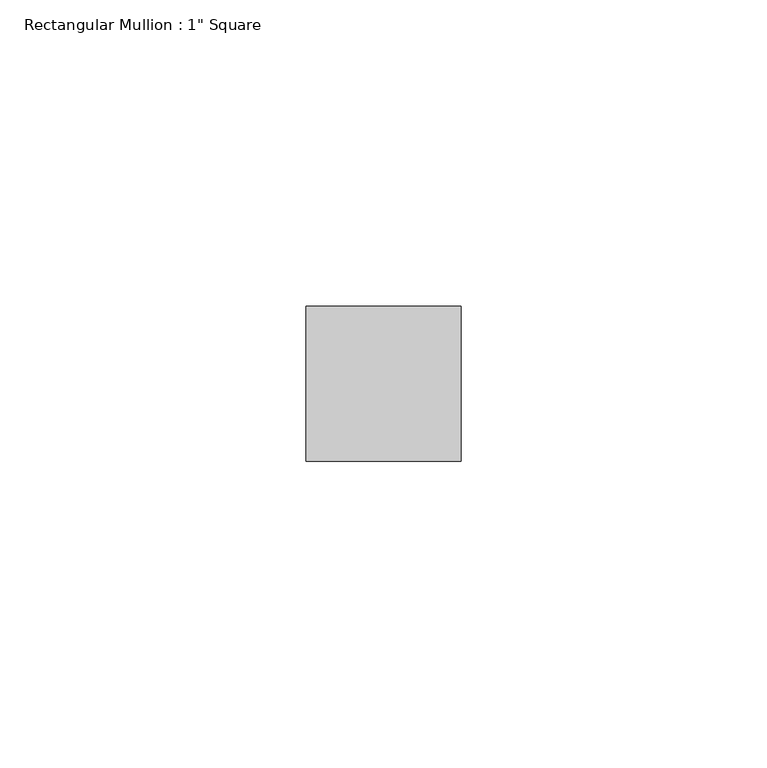
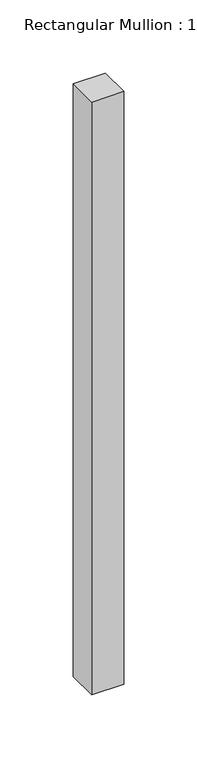
"""IFC4 building model written with IfcOpenShell, lengths in millimetres: member geometry."""

from ifc_helpers import new_model, si_unit, frame, origin, place, context, project, spatial, polyline, outline, extrude, source, transform, mapped, element, save


def member_3a4abef7(model_context):
    return source(origin(), model_context, "Body", "SweptSolid", [
        extrude(outline(polyline([(12.7, 12.7), (12.7, -12.7), (-12.7, -12.7), (-12.7, 12.7), (12.7, 12.7)])), frame((0.0, 0.0, -495.3), z_axis=(0.0, 0.0, 1.0), x_axis=(1.0, 0.0, 0.0)), (0.0, 0.0, 1.0), 495.3),
    ])


if __name__ == "__main__":
    model = new_model("IFC4")
    model_context = context("Model", 3, world=origin())
    ifc_project = project(units=[si_unit("LENGTHUNIT", "METRE", prefix="MILLI")], contexts=[model_context])
    site = spatial("IfcSite", under=ifc_project)
    building = spatial("IfcBuilding", under=site)
    placement = place(None, origin())
    member_shape = member_3a4abef7(model_context)
    element("IfcMember", 1, ObjectType="Rectangular Mullion : 1\" Square", at=placement, inside=building, context=model_context, shape_type="MappedRepresentation", body=[
        mapped(member_shape, transform((0.0, 0.0, 0.0), x_axis=(1.0, 0.0, 0.0), y_axis=(0.0, 1.0, 0.0), z_axis=(0.0, 0.0, 1.0))),
    ])
    save(model, "model.ifc")
